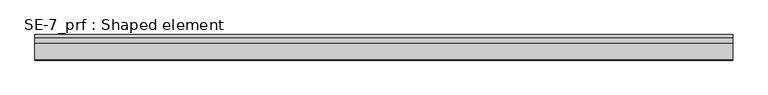
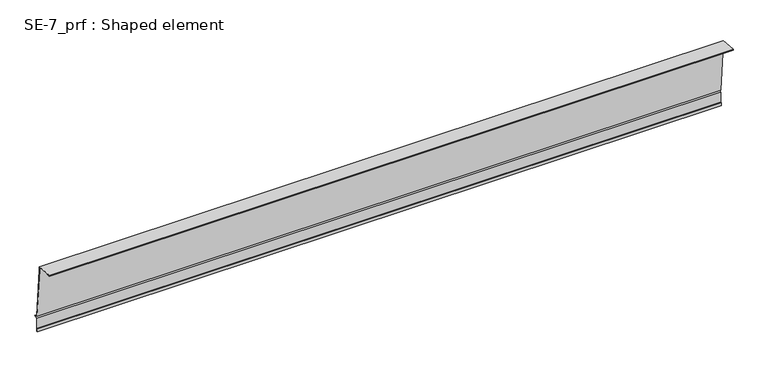
"""IFC4 building model written with IfcOpenShell, lengths in millimetres: proxy geometry, SE-7_prf : Shaped element."""

from ifc_helpers import new_model, si_unit, origin, place, context, project, spatial, faceted_brep, source, transform, mapped, element, save


def se_7_prf_shaped_element_f6c03638(model_context):
    return source(origin(), model_context, "Body", "Brep", [
        faceted_brep([(0.0, 0.8748866, 0.0), (0.0, -0.1289332, 0.0), (0.0, -0.9230623, 9.0769377), (0.0, -48.9006959, 13.2744367), (0.0, -48.9878517, 12.278242), (0.0, -40.0220994, 11.4938403), (0.0, -40.1092552, 10.4976456), (0.0, -50.0712021, 11.369203), (0.0, -49.8097349, 14.3577871), (0.0, 0.0, 10.0), (0.0, 13.9981862, -150.0), (0.0, 23.2369815, -153.8268343), (0.0, 13.9981862, -157.6536686), (0.0, 13.9981862, -197.6536686), (0.0, 10.9981862, -197.6536686), (0.0, 10.9981862, -187.6536686), (0.0, 11.9981862, -187.6536686), (0.0, 11.9981862, -196.6536686), (0.0, 12.9981862, -196.6536686), (0.0, 12.9981862, -156.98549), (0.0, 20.6238556, -153.8268343), (0.0, 13.0548789, -150.6916615), (2000.0, -0.1289332, 0.0), (2000.0, 0.8748866, 0.0), (2000.0, 0.0, 10.0), (2000.0, -49.8097349, 14.3577871), (2000.0, -50.0712021, 11.369203), (2000.0, -40.1092552, 10.4976456), (2000.0, -40.0220994, 11.4938403), (2000.0, -48.9878517, 12.278242), (2000.0, -48.9006959, 13.2744367), (2000.0, -0.9230623, 9.0769377), (2000.0, 13.0548789, -150.6916615), (2000.0, 20.6238556, -153.8268343), (2000.0, 12.9981862, -156.98549), (2000.0, 12.9981862, -196.6536686), (2000.0, 11.9981862, -196.6536686), (2000.0, 11.9981862, -187.6536686), (2000.0, 10.9981862, -187.6536686), (2000.0, 10.9981862, -197.6536686), (2000.0, 13.9981862, -197.6536686), (2000.0, 13.9981862, -157.6536686), (2000.0, 23.2369815, -153.8268343), (2000.0, 13.9981862, -150.0)], [[[0, 1, 2, 3, 4, 5, 6, 7, 8, 9]], [[1, 0, 10, 11, 12, 13, 14, 15, 16, 17, 18, 19, 20, 21]], [[22, 23, 24, 25, 26, 27, 28, 29, 30, 31]], [[23, 22, 32, 33, 34, 35, 36, 37, 38, 39, 40, 41, 42, 43]], [[9, 8, 25, 24]], [[0, 9, 24, 23, 43, 10]], [[11, 10, 43, 42]], [[12, 11, 42, 41]], [[13, 12, 41, 40]], [[14, 13, 40, 39]], [[15, 14, 39, 38]], [[16, 15, 38, 37]], [[17, 16, 37, 36]], [[18, 17, 36, 35]], [[19, 18, 35, 34]], [[20, 19, 34, 33]], [[21, 20, 33, 32]], [[2, 1, 21, 32, 22, 31]], [[3, 2, 31, 30]], [[4, 3, 30, 29]], [[5, 4, 29, 28]], [[6, 5, 28, 27]], [[7, 6, 27, 26]], [[8, 7, 26, 25]]]),
    ])


if __name__ == "__main__":
    model = new_model("IFC4")
    model_context = context("Model", 3, world=origin())
    ifc_project = project(units=[si_unit("LENGTHUNIT", "METRE", prefix="MILLI")], contexts=[model_context])
    site = spatial("IfcSite", under=ifc_project)
    building = spatial("IfcBuilding", under=site)
    placement = place(None, origin())
    se_7_prf_shaped_element_shape = se_7_prf_shaped_element_f6c03638(model_context)
    element("IfcBuildingElementProxy", 1, Name="SE-7_prf : Shaped element", ObjectType="SE-7_prf : Shaped element", at=placement, inside=building, context=model_context, shape_type="MappedRepresentation", body=[
        mapped(se_7_prf_shaped_element_shape, transform((0.0, 0.0, 0.0), x_axis=(1.0, 0.0, 0.0), y_axis=(0.0, 1.0, 0.0), z_axis=(0.0, 0.0, 1.0))),
    ])
    save(model, "model.ifc")
